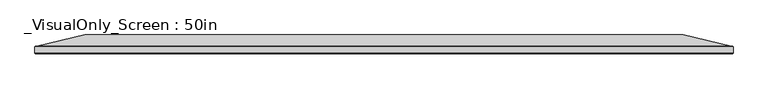
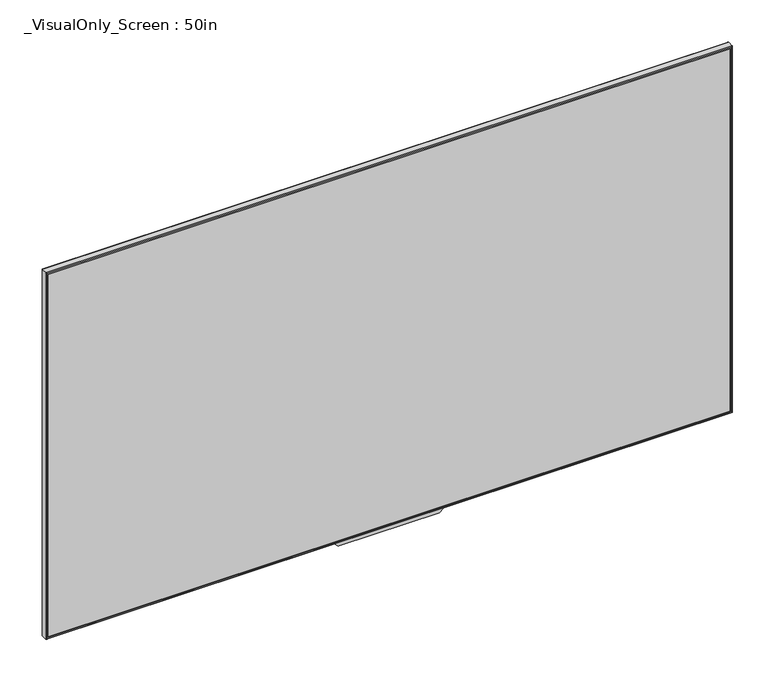
"""IFC4 building model written with IfcOpenShell, lengths in millimetres: furniture geometry, _VisualOnly_Screen : 50in."""

from ifc_helpers import new_model, si_unit, frame, origin, place, context, project, spatial, polyline, circle_curve, ellipse_curve, outline, extrude, source, transform, mapped, element, save
from ifc_brep_helpers import plane_surface, cylinder_surface, advanced_brep


def visualonly_screen_50in_6e9dc5af(model_context):
    return source(origin(), model_context, "Body", "SolidModel", [
        extrude(outline(polyline([(-553.4504661, -116.586), (553.4504661, -116.586), (553.4504661, -127.508), (-553.4504661, -127.508), (-553.4504661, -116.586)])), frame((0.0, 0.0, 1288.8841128), z_axis=(0.0, 0.0, 1.0), x_axis=(1.0, 0.0, 0.0)), (0.0, 0.0, 1.0), 622.6317743),
        advanced_brep(
        [(553.4504661, -128.778, 1911.5158872), (553.4504661, -116.586, 1911.5158872), (553.4504661, -116.586, 1288.8841128), (553.4504661, -128.778, 1288.8841128), (88.9, -116.586, 1288.8841128), (-88.9, -116.586, 1288.8841128), (-553.4504661, -116.586, 1288.8841128), (-553.4504661, -128.778, 1288.8841128), (-553.4504661, -116.586, 1911.5158872), (-553.4504661, -128.778, 1911.5158872), (-555.1804661, -116.586, 1287.1541128), (-555.1804661, -116.586, 1913.2458872), (555.1804661, -116.586, 1913.2458872), (555.1804661, -116.586, 1287.1541128), (88.9, -116.586, 1287.1541128), (88.9, -116.586, 1285.8841128), (83.2939488, -116.586, 1280.2780616), (81.4978976, -116.586, 1279.5341128), (-81.4978976, -116.586, 1279.5341128), (-83.2939488, -116.586, 1280.2780616), (-88.9, -116.586, 1285.8841128), (-88.9, -116.586, 1287.1541128), (553.4504661, -116.586, 1288.8841128), (553.4504661, -116.586, 1911.5158872), (-553.4504661, -116.586, 1911.5158872), (-553.4504661, -116.586, 1288.8841128), (555.1804661, -128.778, 1913.2458872), (-555.1804661, -128.778, 1913.2458872), (-555.1804661, -128.778, 1287.1541128), (555.1804661, -128.778, 1287.1541128), (556.4504661, -117.856, 1914.5158872), (556.4504661, -127.508, 1914.5158872), (556.4504661, -127.508, 1285.8841128), (556.4504661, -117.856, 1285.8841128), (88.9, -127.508, 1285.8841128), (88.9, -117.856, 1285.8841128), (-556.4504661, -127.508, 1285.8841128), (-556.4504661, -117.856, 1285.8841128), (-88.9, -117.856, 1285.8841128), (-88.9, -127.508, 1285.8841128), (-556.4504661, -127.508, 1914.5158872), (-556.4504661, -117.856, 1914.5158872), (477.2504661, -98.806, 1860.7158872), (477.2504661, -98.806, 1339.6841128), (-477.2504661, -98.806, 1339.6841128), (-477.2504661, -98.806, 1860.7158872), (-83.2939488, -127.508, 1280.2780616), (-81.4978976, -127.508, 1279.5341128), (81.4978976, -127.508, 1279.5341128), (83.2939488, -127.508, 1280.2780616)],
        [
            (0, 1),
            (1, 2),
            (2, 3),
            (3, 0),
            (2, 4),
            (4, 5),
            (5, 6),
            (6, 7),
            (7, 3),
            (6, 8),
            (8, 9),
            (9, 7),
            (10, 11),
            (11, 12),
            (12, 13),
            (13, 14),
            (14, 15),
            (15, 16),
            (16, 17, circle_curve(frame((81.4978976, -116.586, 1282.0741128), z_axis=(0.0, 1.0, 0.0), x_axis=(-1.0, 0.0, 0.0)), 2.54)),
            (17, 18),
            (18, 19, circle_curve(frame((-81.4978976, -116.586, 1282.0741128), z_axis=(0.0, 1.0, 0.0), x_axis=(-1.0, 0.0, 0.0)), 2.54)),
            (19, 20),
            (20, 21),
            (21, 10),
            (22, 23),
            (23, 24),
            (24, 25),
            (25, 22),
            (0, 9),
            (8, 1),
            (26, 27),
            (27, 28),
            (28, 29),
            (29, 26),
            (30, 31),
            (31, 32),
            (32, 33),
            (33, 30),
            (32, 34),
            (34, 35),
            (35, 33),
            (36, 37),
            (37, 38),
            (38, 39),
            (39, 36),
            (36, 40),
            (40, 41),
            (41, 37),
            (30, 41),
            (40, 31),
            (42, 43),
            (43, 44),
            (44, 45),
            (45, 42),
            (42, 23),
            (22, 43),
            (25, 44),
            (24, 45),
            (39, 46),
            (46, 47, circle_curve(frame((-81.4978976, -127.508, 1282.0741128), z_axis=(0.0, -1.0, 0.0), x_axis=(-1.0, 0.0, 0.0)), 2.54)),
            (47, 48),
            (48, 49, circle_curve(frame((81.4978976, -127.508, 1282.0741128), z_axis=(0.0, -1.0, 0.0), x_axis=(-1.0, 0.0, 0.0)), 2.54)),
            (49, 34),
            (34, 39),
            (14, 35, circle_curve(frame((88.9, -117.856, 1287.1541128), z_axis=(-1.0, 0.0, 0.0), x_axis=(0.0, 0.0, 1.0)), 1.27)),
            (35, 15),
            (17, 48),
            (47, 18),
            (20, 38),
            (38, 21, circle_curve(frame((-88.9, -117.856, 1287.1541128), z_axis=(1.0, 0.0, 0.0), x_axis=(0.0, 0.0, 1.0)), 1.27)),
            (49, 16),
            (46, 19),
            (29, 32, ellipse_curve(frame((555.1804661, -127.508, 1287.1541128), z_axis=(0.7071067811865475, 0.0, 0.7071067811865475), x_axis=(-0.7071067811865474, 0.0, 0.7071067811865476)), 1.7960512, 1.27)),
            (31, 26, ellipse_curve(frame((555.1804661, -127.508, 1913.2458872), z_axis=(0.7071067811865475, 0.0, -0.7071067811865475), x_axis=(0.7071067811865474, 0.0, 0.7071067811865476)), 1.7960512, 1.27)),
            (12, 30, ellipse_curve(frame((555.1804661, -117.856, 1913.2458872), z_axis=(0.7071067811865475, 0.0, -0.7071067811865475), x_axis=(0.7071067811865474, 0.0, 0.7071067811865476)), 1.7960512, 1.27)),
            (33, 13, ellipse_curve(frame((555.1804661, -117.856, 1287.1541128), z_axis=(0.7071067811865475, 0.0, 0.7071067811865475), x_axis=(-0.7071067811865474, 0.0, 0.7071067811865476)), 1.7960512, 1.27)),
            (28, 36, ellipse_curve(frame((-555.1804661, -127.508, 1287.1541128), z_axis=(0.7071067811865475, 0.0, -0.7071067811865475), x_axis=(0.7071067811865476, 0.0, 0.7071067811865474)), 1.7960512, 1.27)),
            (37, 10, ellipse_curve(frame((-555.1804661, -117.856, 1287.1541128), z_axis=(0.7071067811865475, 0.0, -0.7071067811865475), x_axis=(0.7071067811865476, 0.0, 0.7071067811865474)), 1.7960512, 1.27)),
            (27, 40, ellipse_curve(frame((-555.1804661, -127.508, 1913.2458872), z_axis=(-0.7071067811865475, 0.0, -0.7071067811865475), x_axis=(0.7071067811865474, 0.0, -0.7071067811865476)), 1.7960512, 1.27)),
            (41, 11, ellipse_curve(frame((-555.1804661, -117.856, 1913.2458872), z_axis=(-0.7071067811865475, 0.0, -0.7071067811865475), x_axis=(0.7071067811865474, 0.0, -0.7071067811865476)), 1.7960512, 1.27)),
        ],
        [
            plane_surface(frame((553.4504661, -116.586, 1911.5158872), z_axis=(-1.0, 0.0, 0.0), x_axis=(0.0, 0.0, -1.0))),
            plane_surface(frame((553.4504661, -116.586, 1288.8841128), z_axis=(0.0, 0.0, 1.0), x_axis=(-1.0, 0.0, 0.0))),
            plane_surface(frame((-553.4504661, -116.586, 1288.8841128), z_axis=(1.0, 0.0, 0.0), x_axis=(0.0, 0.0, 1.0))),
            plane_surface(frame((-555.1804661, -116.586, 1913.2458872), z_axis=(0.0, 1.0, 0.0), x_axis=(1.0, 0.0, 0.0))),
            plane_surface(frame((-553.4504661, -116.586, 1911.5158872), z_axis=(0.0, 0.0, -1.0), x_axis=(1.0, 0.0, 0.0))),
            plane_surface(frame((-553.4504661, -128.778, 1911.5158872), z_axis=(0.0, -1.0, 0.0), x_axis=(1.0, 0.0, 0.0))),
            plane_surface(frame((556.4504661, -127.508, 1914.5158872), z_axis=(1.0, 0.0, 0.0), x_axis=(0.0, 0.0, -1.0))),
            plane_surface(frame((556.4504661, -127.508, 1285.8841128), z_axis=(0.0, 0.0, -1.0), x_axis=(-1.0, 0.0, 0.0))),
            plane_surface(frame((-556.4504661, -127.508, 1285.8841128), z_axis=(-1.0, 0.0, 0.0), x_axis=(0.0, 0.0, 1.0))),
            plane_surface(frame((-556.4504661, -127.508, 1914.5158872), z_axis=(0.0, 0.0, 1.0), x_axis=(1.0, 0.0, 0.0))),
            plane_surface(frame((0.0, -116.586, 1600.2), z_axis=(0.0, -1.0, 0.0), x_axis=(1.0, 0.0, 0.0))),
            plane_surface(frame((0.0, -98.806, 1600.2), z_axis=(0.0, 1.0, 0.0), x_axis=(1.0, 0.0, 0.0))),
            plane_surface(frame((477.2504661, -98.806, 1600.2), z_axis=(0.22722961560646251, 0.973841209741783, 0.0), x_axis=(0.0, 0.0, 1.0))),
            plane_surface(frame((0.0, -98.806, 1339.6841128), z_axis=(0.0, 0.9438583563660193, -0.3303504247281007), x_axis=(1.0, 0.0, 0.0))),
            plane_surface(frame((-477.2504661, -98.806, 1600.2), z_axis=(-0.22722961560637425, 0.9738412097418035, 0.0), x_axis=(0.0, 0.0, -1.0))),
            plane_surface(frame((0.0, -98.806, 1860.7158872), z_axis=(0.0, 0.9438583563660188, 0.3303504247281023), x_axis=(-1.0, 0.0, 0.0))),
            plane_surface(frame((88.9, -127.508, 1288.8841128), z_axis=(0.0, -1.0, 0.0), x_axis=(0.0, 0.0, 1.0))),
            plane_surface(frame((88.9, -116.586, 1288.8841128), z_axis=(1.0, 0.0, 0.0), x_axis=(0.0, -1.0, 0.0))),
            plane_surface(frame((81.4978976, -116.586, 1279.5341128), z_axis=(0.0, 0.0, -1.0), x_axis=(0.0, -1.0, 0.0))),
            plane_surface(frame((-88.9, -116.586, 1285.8841128), z_axis=(-1.0, 0.0, 0.0), x_axis=(0.0, -1.0, 0.0))),
            plane_surface(frame((88.9, -116.586, 1285.8841128), z_axis=(0.7071067811884896, 0.0, -0.7071067811846055), x_axis=(0.0, -1.0, 0.0))),
            cylinder_surface(frame((81.4978976, -127.508, 1282.0741128), z_axis=(0.0, 1.0, 0.0), x_axis=(-1.0, 0.0, 0.0)), 2.54),
            cylinder_surface(frame((-81.4978976, -127.508, 1282.0741128), z_axis=(0.0, 1.0, 0.0), x_axis=(-1.0, 0.0, 0.0)), 2.54),
            plane_surface(frame((-83.2939488, -116.586, 1280.2780616), z_axis=(-0.7071067811861762, 0.0, -0.7071067811869188), x_axis=(0.0, -1.0, 0.0))),
            cylinder_surface(frame((555.1804661, -127.508, 1911.5158872), z_axis=(0.0, 0.0, 1.0), x_axis=(-1.0, 0.0, 0.0)), 1.27),
            cylinder_surface(frame((555.1804661, -117.856, 1911.5158872), z_axis=(0.0, 0.0, 1.0), x_axis=(-1.0, 0.0, 0.0)), 1.27),
            cylinder_surface(frame((553.4504661, -127.508, 1287.1541128), z_axis=(1.0, 0.0, 0.0), x_axis=(0.0, 0.0, 1.0)), 1.27),
            cylinder_surface(frame((553.4504661, -117.856, 1287.1541128), z_axis=(1.0, 0.0, 0.0), x_axis=(0.0, 0.0, 1.0)), 1.27),
            cylinder_surface(frame((-555.1804661, -127.508, 1288.8841128), z_axis=(0.0, 0.0, -1.0), x_axis=(1.0, 0.0, 0.0)), 1.27),
            cylinder_surface(frame((-555.1804661, -117.856, 1288.8841128), z_axis=(0.0, 0.0, -1.0), x_axis=(1.0, 0.0, 0.0)), 1.27),
            cylinder_surface(frame((-553.4504661, -127.508, 1913.2458872), z_axis=(-1.0, 0.0, 0.0), x_axis=(0.0, 0.0, -1.0)), 1.27),
            cylinder_surface(frame((-553.4504661, -117.856, 1913.2458872), z_axis=(-1.0, 0.0, 0.0), x_axis=(0.0, 0.0, -1.0)), 1.27),
        ],
        [
            (0, [[1, 2, 3, 4]]),
            (1, [[-3, 5, 6, 7, 8, 9]]),
            (2, [[-8, 10, 11, 12]]),
            (3, [[13, 14, 15, 16, 17, 18, 19, 20, 21, 22, 23, 24], [25, 26, 27, 28]]),
            (4, [[-1, 29, -11, 30]]),
            (5, [[31, 32, 33, 34], [-4, -9, -12, -29]]),
            (6, [[35, 36, 37, 38]]),
            (7, [[-37, 39, 40, 41]]),
            (7, [[42, 43, 44, 45]]),
            (8, [[-42, 46, 47, 48]]),
            (9, [[-35, 49, -47, 50]]),
            (10, [[-2, -30, -10, -7, -6, -5]]),
            (11, [[51, 52, 53, 54]]),
            (12, [[-51, 55, -25, 56]]),
            (13, [[-52, -56, -28, 57]]),
            (14, [[-53, -57, -27, 58]]),
            (15, [[-54, -58, -26, -55]]),
            (16, [[59, 60, 61, 62, 63, 64]]),
            (17, [[-17, 65, 66]]),
            (18, [[-20, 67, -61, 68]]),
            (19, [[-23, 69, 70]]),
            (20, [[-18, -66, -40, -63, 71]]),
            (21, [[-19, -71, -62, -67]]),
            (22, [[-21, -68, -60, 72]]),
            (23, [[-22, -72, -59, -44, -69]]),
            (24, [[-34, 73, -36, 74]]),
            (25, [[-15, 75, -38, 76]]),
            (26, [[-33, 77, -45, -64, -39, -73]]),
            (27, [[-76, -41, -65, -16]]),
            (27, [[78, -24, -70, -43]]),
            (28, [[-32, 79, -46, -77]]),
            (29, [[-13, -78, -48, 80]]),
            (30, [[-31, -74, -50, -79]]),
            (31, [[-14, -80, -49, -75]]),
        ],
    ),
    ])


if __name__ == "__main__":
    model = new_model("IFC4")
    model_context = context("Model", 3, world=origin())
    ifc_project = project(units=[si_unit("LENGTHUNIT", "METRE", prefix="MILLI")], contexts=[model_context])
    site = spatial("IfcSite", under=ifc_project)
    building = spatial("IfcBuilding", under=site)
    placement = place(None, origin())
    visualonly_screen_50in_shape = visualonly_screen_50in_6e9dc5af(model_context)
    element("IfcFurniture", 1, ObjectType="_VisualOnly_Screen : 50in", at=placement, inside=building, context=model_context, shape_type="MappedRepresentation", body=[
        mapped(visualonly_screen_50in_shape, transform((0.0, 0.0, 0.0), x_axis=(1.0, 0.0, 0.0), y_axis=(0.0, 1.0, 0.0), z_axis=(0.0, 0.0, 1.0))),
    ])
    save(model, "model.ifc")
